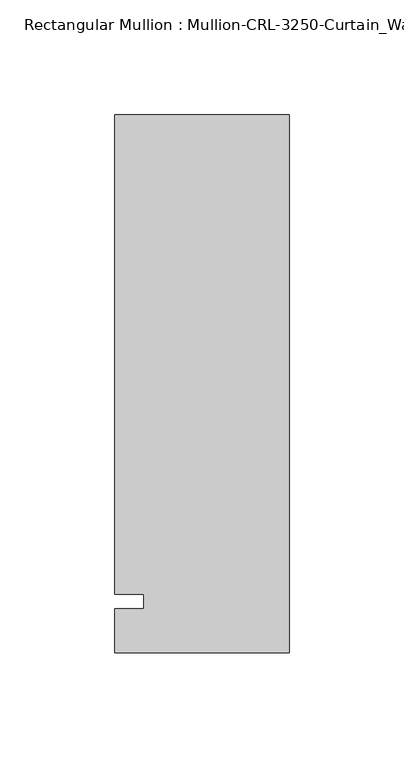
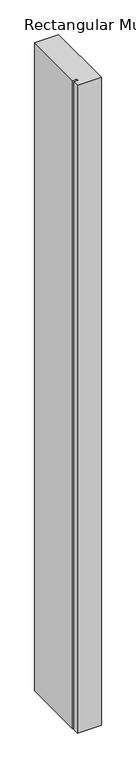
"""IFC4 building model written with IfcOpenShell, lengths in millimetres: member geometry."""

from ifc_helpers import new_model, si_unit, frame, origin, place, context, project, spatial, polyline, outline, extrude, source, transform, mapped, element, save


def member_5f74589f(model_context):
    return source(origin(), model_context, "Body", "SweptSolid", [
        extrude(outline(polyline([(-76.199997, -3.175), (-63.499997, -3.175), (-63.499997, 3.175), (-76.199997, 3.175), (-76.199997, 212.725), (0.0, 212.725), (0.0, -22.2254168), (-76.199997, -22.2254168), (-76.199997, -3.175)])), frame((0.0, 0.0, -2178.05), z_axis=(0.0, 0.0, 1.0), x_axis=(1.0, 0.0, 0.0)), (0.0, 0.0, 1.0), 2178.05),
    ])


if __name__ == "__main__":
    model = new_model("IFC4")
    model_context = context("Model", 3, world=origin())
    ifc_project = project(units=[si_unit("LENGTHUNIT", "METRE", prefix="MILLI")], contexts=[model_context])
    site = spatial("IfcSite", under=ifc_project)
    building = spatial("IfcBuilding", under=site)
    placement = place(None, origin())
    member_shape = member_5f74589f(model_context)
    element("IfcMember", 1, ObjectType="Rectangular Mullion : Mullion-CRL-3250-Curtain_Wall-Left_Jamb-8\"", at=placement, inside=building, context=model_context, shape_type="MappedRepresentation", body=[
        mapped(member_shape, transform((0.0, 0.0, 0.0), x_axis=(1.0, 0.0, 0.0), y_axis=(0.0, 1.0, 0.0), z_axis=(0.0, 0.0, 1.0))),
    ])
    save(model, "model.ifc")
